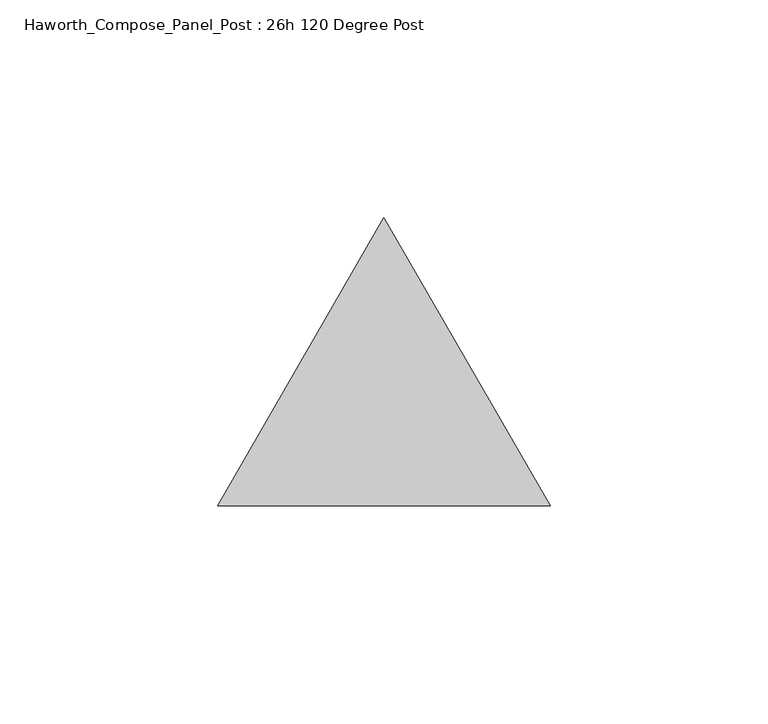
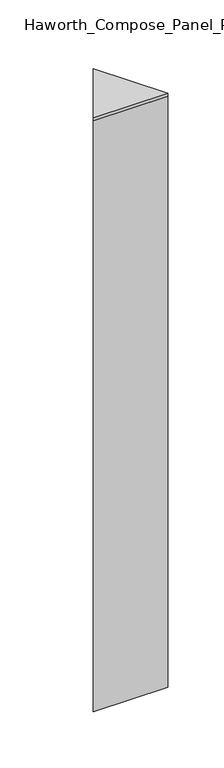
"""IFC4 building model written with IfcOpenShell, lengths in millimetres: furniture geometry, Haworth_Compose_Panel_Post : 26h 120 Degree Post."""

from ifc_helpers import new_model, si_unit, frame, origin, place, context, project, spatial, polyline, outline, extrude, source, transform, mapped, element, save


def haworth_compose_panel_post_26h_120_degree_post_bf462d26(model_context):
    return source(origin(), model_context, "Body", "SweptSolid", [
        extrude(outline(polyline([(76.2, -32.9955679), (0.0, -32.9955679), (38.1, 32.9955679), (76.2, -32.9955679)])), frame((0.0, 0.0, 654.05), z_axis=(0.0, 0.0, 1.0), x_axis=(1.0, 0.0, 0.0)), (0.0, 0.0, 1.0), 3.175),
        extrude(outline(polyline([(76.2, -32.9955679), (0.0, -32.9955679), (38.1, 32.9955679), (76.2, -32.9955679)])), frame((0.0, 0.0, 12.7), z_axis=(0.0, 0.0, 1.0), x_axis=(1.0, 0.0, 0.0)), (0.0, 0.0, 1.0), 641.35),
    ])


if __name__ == "__main__":
    model = new_model("IFC4")
    model_context = context("Model", 3, world=origin())
    ifc_project = project(units=[si_unit("LENGTHUNIT", "METRE", prefix="MILLI")], contexts=[model_context])
    site = spatial("IfcSite", under=ifc_project)
    building = spatial("IfcBuilding", under=site)
    placement = place(None, origin())
    haworth_compose_panel_post_26h_120_degree_post_shape = haworth_compose_panel_post_26h_120_degree_post_bf462d26(model_context)
    element("IfcFurniture", 1, ObjectType="Haworth_Compose_Panel_Post : 26h 120 Degree Post", at=placement, inside=building, context=model_context, shape_type="MappedRepresentation", body=[
        mapped(haworth_compose_panel_post_26h_120_degree_post_shape, transform((0.0, 0.0, 0.0), x_axis=(1.0, 0.0, 0.0), y_axis=(0.0, 1.0, 0.0), z_axis=(0.0, 0.0, 1.0))),
    ])
    save(model, "model.ifc")
